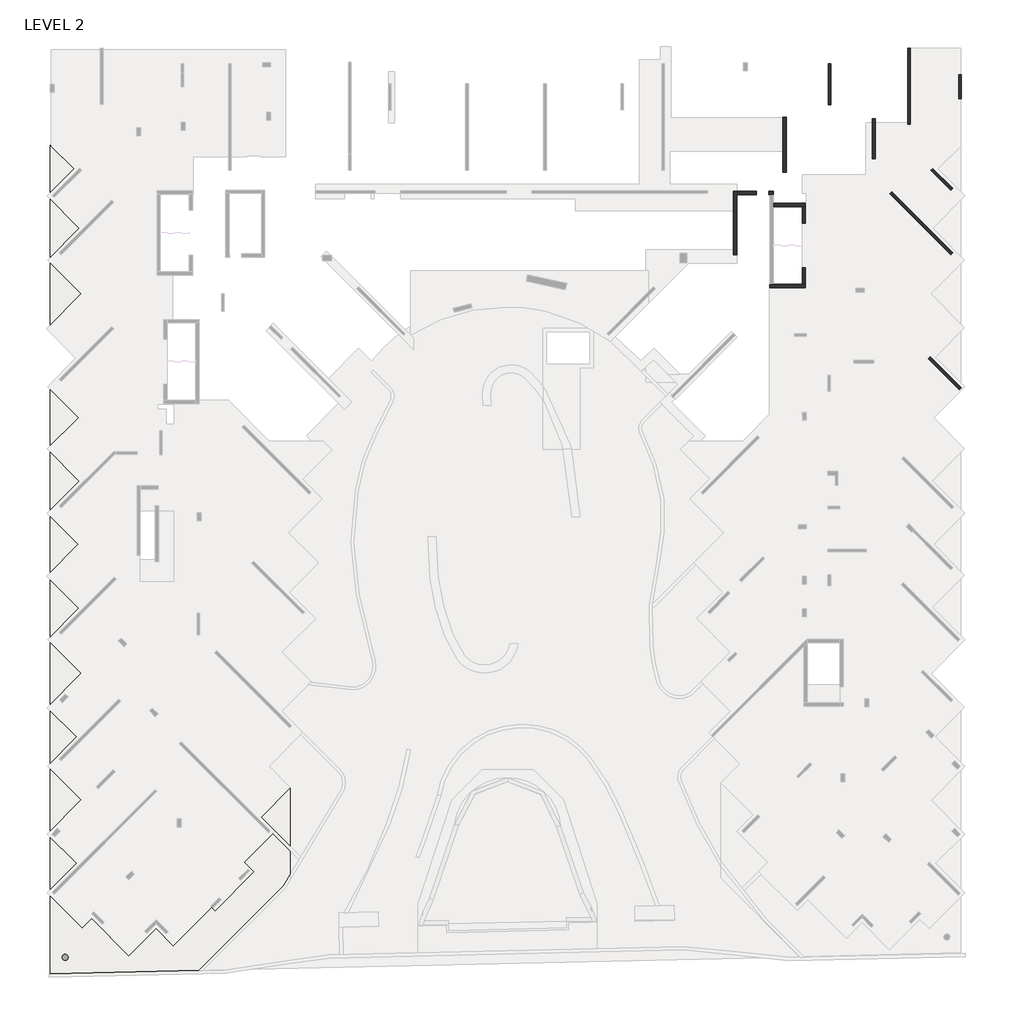
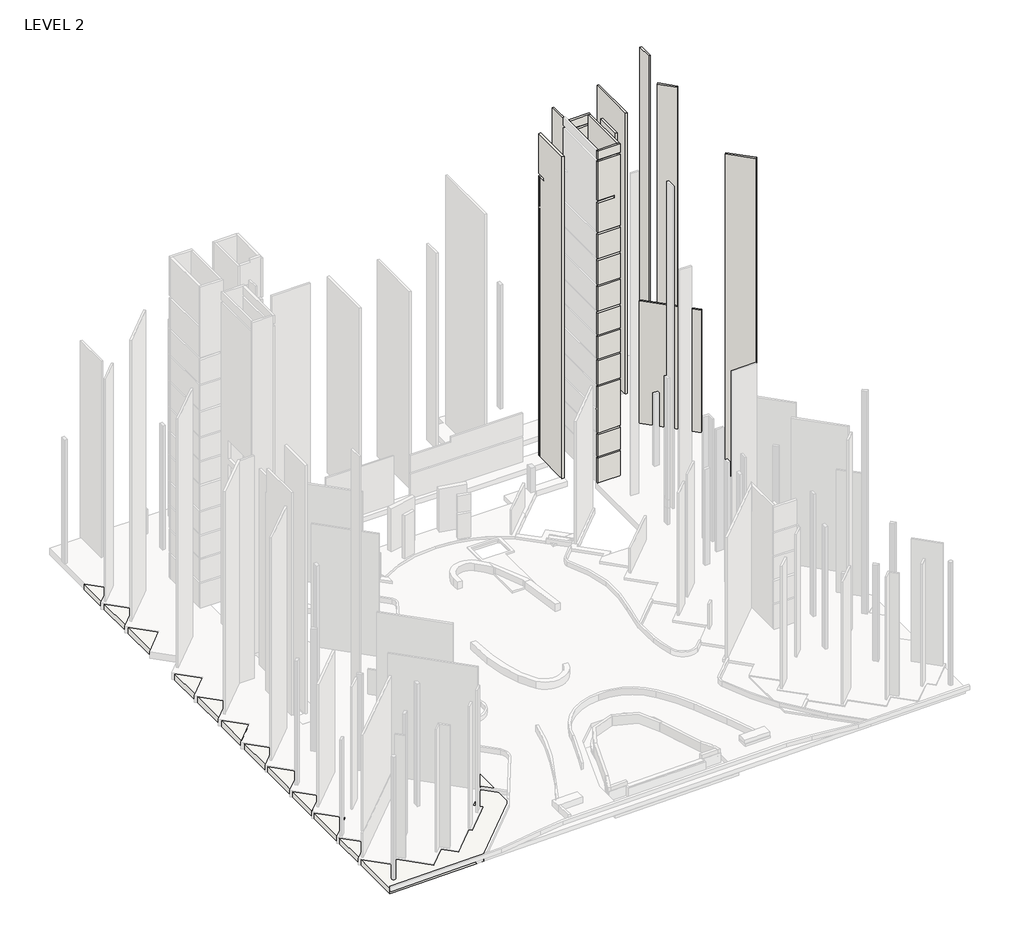
# One storey, part 5 of 9: 13 walls, 1 slab.
"""IFC4 building model written with IfcOpenShell, lengths in millimetres."""

from ifc_helpers import new_model, si_unit, frame, origin, place, context, project, spatial, polyline, outline, extrude, faceted_brep, element, save

model = new_model("IFC4")

# Units and contexts
model_context = context("Model", 3, world=origin())
ifc_project = project(units=[si_unit("LENGTHUNIT", "METRE", prefix="MILLI")], contexts=[model_context])

# Site, building, storey
site = spatial("IfcSite", under=ifc_project)
building = spatial("IfcBuilding", under=site)
storey = spatial("IfcBuildingStorey", under=building, Name="LEVEL 2", Elevation=6400.0)

# Slab
placement = place(None, origin())
element("IfcSlab", 1, ObjectType="700 TRANSFER SLAB", at=placement, inside=storey, context=model_context, shape_type="Brep", body=[
    faceted_brep([(186669.9814918, 151004.0917593, 5600.0), (189554.9830875, 153889.093355, 5600.0), (189810.7995664, 153633.2768761, 5600.0), (192709.9314408, 156532.4087506, 5600.0), (191977.1811517, 157265.1590397, 5600.0), (194296.3098331, 159584.2877211, 5600.0), (193239.6799467, 160640.9176075, 5600.0), (194842.4547218, 162243.6923825, 5600.0), (195442.4547218, 162843.6923825, 5600.0), (195442.4547218, 156032.7755644, 5600.0), (188573.1392131, 149163.4600557, 5600.0), (177433.7148854, 148910.4631687, 5600.0), (177433.7148854, 154743.1747119, 5600.0), (179837.4036958, 152339.4859015, 5600.0), (180544.510477, 153046.5926827, 5600.0), (183341.5621043, 150249.5410554, 5600.0), (185384.5796958, 152289.4935553, 5600.0), (189554.9830875, 153889.093355, 6300.0), (186669.9814918, 151004.0917593, 6300.0), (185384.5796958, 152289.4935553, 6300.0), (183341.5621043, 150249.5410554, 6300.0), (180544.510477, 153046.5926827, 6300.0), (179837.4036958, 152339.4859015, 6300.0), (177433.7148854, 154743.1747119, 6300.0), (177433.7148854, 148910.4631687, 6300.0), (188573.1392131, 149163.4600557, 6300.0), (195442.4547218, 156032.7755644, 6300.0), (195442.4547218, 162843.6923825, 6300.0), (193239.6799467, 160640.9176075, 6300.0), (194296.3098331, 159584.2877211, 6300.0), (191977.1811517, 157265.1590397, 6300.0), (192709.9314408, 156532.4087506, 6300.0), (189810.7995664, 153633.2768761, 6300.0)], [[[0, 1, 2, 3, 4, 5, 6, 7, 8, 9, 10, 11, 12, 13, 14, 15, 16]], [[17, 18, 19, 20, 21, 22, 23, 24, 25, 26, 27, 28, 29, 30, 31, 32]], [[1, 0, 18, 17]], [[2, 1, 17, 32]], [[11, 10, 25, 24]], [[13, 12, 23, 22]], [[14, 13, 22, 21]], [[15, 14, 21, 20]], [[16, 15, 20, 19]], [[0, 16, 19, 18]], [[10, 9, 26, 25]], [[12, 11, 24, 23]], [[3, 2, 32, 31]], [[4, 3, 31, 30]], [[5, 4, 30, 29]], [[6, 5, 29, 28]], [[8, 7, 6, 28, 27]], [[9, 8, 27, 26]]]),
    faceted_brep([(177433.7148854, 164274.9741248, 5600.0), (179782.4414303, 161926.2475799, 5600.0), (177433.7148854, 159577.521035, 5600.0), (179782.4414303, 161926.2475799, 6300.0), (177433.7148854, 164274.9741248, 6300.0), (177433.7148854, 159577.521035, 6300.0)], [[[0, 1, 2]], [[3, 4, 5]], [[1, 0, 4, 3]], [[2, 1, 3, 5]], [[0, 2, 5, 4]]]),
    faceted_brep([(177433.7148854, 159155.521029, 5600.0), (179428.8880409, 157160.3478734, 5600.0), (177433.7148854, 155165.1747179, 5600.0), (179428.8880409, 157160.3478734, 6300.0), (177433.7148854, 159155.521029, 6300.0), (177433.7148854, 155165.1747179, 6300.0)], [[[0, 1, 2]], [[3, 4, 5]], [[1, 0, 4, 3]], [[2, 1, 3, 5]], [[0, 2, 5, 4]]]),
    faceted_brep([(179428.8880401, 166635.5787415, 5600.0), (177433.7148854, 164640.4055868, 5600.0), (177433.7148854, 168630.7518962, 5600.0), (177433.7148854, 164640.4055868, 6300.0), (179428.8880401, 166635.5787415, 6300.0), (177433.7148854, 168630.7518962, 6300.0)], [[[0, 1, 2]], [[3, 4, 5]], [[1, 0, 4, 3]], [[2, 1, 3, 5]], [[0, 2, 5, 4]]]),
    faceted_brep([(179782.4414299, 171401.4784474, 5600.0), (177433.7148854, 169052.7519029, 5600.0), (177433.7148854, 173750.204992, 5600.0), (177433.7148854, 169052.7519029, 6300.0), (179782.4414299, 171401.4784474, 6300.0), (177433.7148854, 173750.204992, 6300.0)], [[[0, 1, 2]], [[3, 4, 5]], [[1, 0, 4, 3]], [[2, 1, 3, 5]], [[0, 2, 5, 4]]]),
    faceted_brep([(179591.0370291, 176272.9585985, 5600.0), (177433.7148854, 174115.6364547, 5600.0), (177433.7148854, 178430.2807422, 5600.0), (177433.7148854, 174115.6364547, 6300.0), (179591.0370291, 176272.9585985, 6300.0), (177433.7148854, 178430.2807422, 6300.0)], [[[0, 1, 2]], [[3, 4, 5]], [[1, 0, 4, 3]], [[2, 1, 3, 5]], [[0, 2, 5, 4]]]),
    faceted_brep([(179552.6317254, 181071.1636788, 5600.0), (177465.7148858, 178984.2468392, 5600.0), (177465.7148858, 183158.0805183, 5600.0), (177465.7148858, 178984.2468392, 6300.0), (179552.6317254, 181071.1636788, 6300.0), (177465.7148858, 183158.0805183, 6300.0)], [[[0, 1, 2]], [[3, 4, 5]], [[1, 0, 4, 3]], [[2, 1, 3, 5]], [[0, 2, 5, 4]]]),
    faceted_brep([(179641.020074, 185798.1725113, 5600.0), (177465.7148858, 183622.8673231, 5600.0), (177465.7148858, 187973.4776994, 5600.0), (177465.7148858, 183622.8673231, 6300.0), (179641.020074, 185798.1725113, 6300.0), (177465.7148858, 187973.4776994, 6300.0)], [[[0, 1, 2]], [[3, 4, 5]], [[1, 0, 4, 3]], [[2, 1, 3, 5]], [[0, 2, 5, 4]]]),
    faceted_brep([(179570.3093953, 190564.0722158, 5600.0), (177465.7148858, 188459.4777064, 5600.0), (177465.7148858, 192668.6667253, 5600.0), (177465.7148858, 188459.4777064, 6300.0), (179570.3093953, 190564.0722158, 6300.0), (177465.7148858, 192668.6667253, 6300.0)], [[[0, 1, 2]], [[3, 4, 5]], [[1, 0, 4, 3]], [[2, 1, 3, 5]], [[0, 2, 5, 4]]]),
    faceted_brep([(179245.2179459, 209189.4425022, 5600.0), (177465.7148858, 207409.9394422, 5600.0), (177465.7148858, 210968.9455622, 5600.0), (177537.7148854, 210896.9455627, 5600.0), (177465.7148858, 207409.9394422, 6300.0), (179245.2179459, 209189.4425022, 6300.0), (177537.7148854, 210896.9455627, 6300.0), (177465.7148858, 210968.9455622, 6300.0)], [[[0, 1, 2, 3]], [[4, 5, 6, 7]], [[1, 0, 5, 4]], [[2, 1, 4, 7]], [[2, 7, 6, 5, 0, 3]]]),
    faceted_brep([(179641.020074, 204748.6342471, 5600.0), (177465.7148858, 202573.3290589, 5600.0), (177465.7148858, 206923.9394352, 5600.0), (177465.7148858, 202573.3290589, 6300.0), (179641.020074, 204748.6342471, 6300.0), (177465.7148858, 206923.9394352, 6300.0)], [[[0, 1, 2]], [[3, 4, 5]], [[1, 0, 4, 3]], [[2, 1, 3, 5]], [[0, 2, 5, 4]]]),
    faceted_brep([(179782.4414296, 199827.1710494, 5600.0), (177467.7148854, 197512.4445051, 5600.0), (177467.7148854, 202141.8975937, 5600.0), (177467.7148854, 197512.4445051, 6300.0), (179782.4414296, 199827.1710494, 6300.0), (177467.7148854, 202141.8975937, 6300.0)], [[[0, 1, 2]], [[3, 4, 5]], [[1, 0, 4, 3]], [[2, 1, 3, 5]], [[0, 2, 5, 4]]]),
])

# Walls
element("IfcWall", 2, ObjectType="200 WALL", at=placement, inside=storey, context=model_context, shape_type="Brep", body=[
    faceted_brep([(235969.079817, 213994.8490053, 6400.0), (235969.079817, 217062.6490083, 6400.0), (235969.079817, 217062.6490083, 40650.0), (235969.079817, 217062.6490083, 41050.0), (235969.079817, 217062.6490083, 41150.0), (235969.079817, 213994.8490053, 41150.0), (235769.079817, 213994.8490053, 6400.0), (235769.079817, 213994.8490053, 41150.0), (235769.079817, 216842.6487402, 41150.0), (235769.079817, 217062.6490083, 41150.0), (235769.079817, 217062.6490083, 40450.0), (235769.079817, 217062.6490083, 6400.0), (235862.1509792, 217062.6490083, 41150.0)], [[[0, 1, 2, 3, 4, 5]], [[6, 7, 8, 9, 10, 11]], [[1, 0, 6, 11]], [[4, 3, 2, 1, 11, 10, 9, 12]], [[5, 4, 12, 9, 8, 7]], [[0, 5, 7, 6]]]),
])
element("IfcWall", 3, ObjectType="200 WALL", at=placement, inside=storey, context=model_context, shape_type="Brep", body=[
    faceted_brep([(241911.9970322, 212520.6489961, 6400.0), (241911.9970322, 218242.6490083, 6400.0), (241911.9970322, 218242.6490083, 40450.0), (241911.9970322, 218242.6490083, 41050.0), (241911.9970322, 218242.6490083, 41150.0), (241911.9970322, 212520.6489961, 41150.0), (241711.9970322, 212520.6489961, 6400.0), (241711.9970322, 212520.6489961, 41150.0), (241711.9970322, 218242.6490083, 41150.0), (241711.9970322, 218242.6490083, 41050.0), (241711.9970322, 218242.6490083, 40450.0), (241711.9970322, 218242.6490083, 6400.0)], [[[0, 1, 2, 3, 4, 5]], [[6, 7, 8, 9, 10, 11]], [[1, 0, 6, 11]], [[4, 3, 2, 1, 11, 10, 9, 8]], [[5, 4, 8, 7]], [[0, 5, 7, 6]]]),
])
element("IfcWall", 4, ObjectType="200 WALL", at=placement, inside=storey, context=model_context, shape_type="SweptSolid", body=[
    extrude(outline(polyline([(244946.7978556, 202763.7913359), (240368.1015694, 207342.4876221), (240509.5229256, 207483.9089783), (245088.2192118, 202905.2126922), (244946.7978556, 202763.7913359)])), frame((0.0, 0.0, 6400.0), z_axis=(0.0, 0.0, 1.0), x_axis=(1.0, 0.0, 0.0)), (0.0, 0.0, 1.0), 15150.0),
])
element("IfcWall", 5, ObjectType="200 WALL", at=placement, inside=storey, context=model_context, shape_type="SweptSolid", body=[
    extrude(outline(polyline([(239083.4739801, 209970.1489961), (239083.4739801, 212930.1489961), (239283.4739801, 212930.1489961), (239283.4739801, 209970.1489961), (239083.4739801, 209970.1489961)])), frame((0.0, 0.0, 5740.0), z_axis=(0.0, 0.0, 1.0), x_axis=(1.0, 0.0, 0.0)), (0.0, 0.0, 1.0), 35410.0),
])
element("IfcWall", 6, ObjectType="200 WALL", at=placement, inside=storey, context=model_context, shape_type="Brep", body=[
    faceted_brep([(245747.1628329, 214442.5755253, 6400.0), (245747.1628329, 216232.6490083, 6400.0), (245747.1628329, 216232.6490083, 40450.0), (245747.1628329, 216232.6490083, 41350.0), (245747.1628329, 216232.6490083, 45750.0), (245747.1628329, 214442.5755253, 45750.0), (245747.1628329, 214442.5755253, 41350.0), (245747.1628329, 214442.5755253, 40450.0), (245547.1628329, 214442.5755253, 6400.0), (245547.1628329, 214442.5755253, 40450.0), (245547.1628329, 214442.5755253, 41350.0), (245547.1628329, 214442.5755253, 45750.0), (245547.1628329, 216232.6490083, 45750.0), (245547.1628329, 216232.6490083, 41350.0), (245547.1628329, 216232.6490083, 40450.0), (245547.1628329, 216232.6490083, 6400.0)], [[[0, 1, 2, 3, 4, 5, 6, 7]], [[8, 9, 10, 11, 12, 13, 14, 15]], [[1, 0, 8, 15]], [[4, 3, 2, 1, 15, 14, 13, 12]], [[5, 4, 12, 11]], [[0, 7, 6, 5, 11, 10, 9, 8]]]),
])
element("IfcWall", 7, ObjectType="200 WALL", at=placement, inside=storey, context=model_context, shape_type="Brep", body=[
    faceted_brep([(243449.6809541, 209076.3054173, 6400.0), (244936.2213546, 207589.7650168, 6400.0), (244936.2213546, 207589.7650168, 40450.0), (244936.2213546, 207589.7650168, 41350.0), (244936.2213546, 207589.7650168, 46250.0), (243449.6809541, 209076.3054173, 46250.0), (243449.6809541, 209076.3054173, 41350.0), (243449.6809541, 209076.3054173, 40450.0), (243591.1023104, 209217.7267735, 6400.0), (243591.1023104, 209217.7267735, 40450.0), (243591.1023104, 209217.7267735, 41350.0), (243591.1023104, 209217.7267735, 46250.0), (245077.6427108, 207731.1863731, 46250.0), (245077.6427108, 207731.1863731, 41350.0), (245077.6427108, 207731.1863731, 40450.0), (245077.6427108, 207731.1863731, 6400.0)], [[[0, 1, 2, 3, 4, 5, 6, 7]], [[8, 9, 10, 11, 12, 13, 14, 15]], [[1, 0, 8, 15]], [[4, 3, 2, 1, 15, 14, 13, 12]], [[5, 4, 12, 11]], [[0, 7, 6, 5, 11, 10, 9, 8]]]),
])
element("IfcWall", 8, ObjectType="200 WALL", at=placement, inside=storey, context=model_context, shape_type="SweptSolid", body=[
    extrude(outline(polyline([(245588.6034254, 192646.8160339), (243267.8397631, 194967.5796963), (243409.2611193, 195109.0010525), (245730.0247817, 192788.2373902), (245588.6034254, 192646.8160339)])), frame((0.0, 0.0, 6400.0), z_axis=(0.0, 0.0, 1.0), x_axis=(1.0, 0.0, 0.0)), (0.0, 0.0, 1.0), 39850.0),
])
element("IfcWall", 9, ObjectType="250 WALL", at=placement, inside=storey, context=model_context, shape_type="Brep", body=[
    faceted_brep([(231652.4721706, 207518.1983032, 6400.0), (231301.5721706, 207518.1983032, 6400.0), (231301.5721706, 207518.1983032, 8534.0), (230386.5721706, 207518.1983032, 8534.0), (230386.5721706, 207518.1983032, 6400.0), (228661.5721706, 207518.1983032, 6400.0), (228661.5721706, 207518.1983032, 37150.0), (231652.4721706, 207518.1983032, 37150.0), (231301.5721706, 207518.1983032, 9650.0), (231301.5721706, 207518.1983032, 11784.0), (230386.5721706, 207518.1983032, 11784.0), (230386.5721706, 207518.1983032, 9650.0), (231301.5721706, 207518.1983032, 12600.0), (231301.5721706, 207518.1983032, 14734.0), (230386.5721706, 207518.1983032, 14734.0), (230386.5721706, 207518.1983032, 12600.0), (231301.5721706, 207518.1983032, 18500.0), (231301.5721706, 207518.1983032, 20634.0), (230386.5721706, 207518.1983032, 20634.0), (230386.5721706, 207518.1983032, 18500.0), (231301.5721706, 207518.1983032, 21750.0), (231301.5721706, 207518.1983032, 23884.0), (230386.5721706, 207518.1983032, 23884.0), (230386.5721706, 207518.1983032, 21750.0), (231301.5721706, 207518.1983032, 24700.0), (231301.5721706, 207518.1983032, 26834.0), (230386.5721706, 207518.1983032, 26834.0), (230386.5721706, 207518.1983032, 24700.0), (231301.5721706, 207518.1983032, 30900.0), (231301.5721706, 207518.1983032, 33034.0), (230386.5721706, 207518.1983032, 33034.0), (230386.5721706, 207518.1983032, 30900.0), (231301.5721706, 207518.1983032, 27650.0), (231301.5721706, 207518.1983032, 29784.0), (230386.5721706, 207518.1983032, 29784.0), (230386.5721706, 207518.1983032, 27650.0), (231301.5721706, 207518.1983032, 15550.0), (231301.5721706, 207518.1983032, 17684.0), (230386.5721706, 207518.1983032, 17684.0), (230386.5721706, 207518.1983032, 15550.0), (231301.5721706, 207518.1983032, 34150.0), (231301.5721706, 207518.1983032, 36284.0), (230386.5721706, 207518.1983032, 36284.0), (230386.5721706, 207518.1983032, 34150.0), (231301.5721706, 207518.1983032, 37400.0), (231301.5721706, 207518.1983032, 39534.0), (230386.5721706, 207518.1983032, 39534.0), (230386.5721706, 207518.1983032, 37400.0), (228661.5721706, 207518.1983032, 37400.0), (228661.5721706, 207518.1983032, 41050.0), (231652.4721706, 207518.1983032, 41050.0), (231652.4721706, 207518.1983032, 37400.0), (231301.5721706, 207268.1983032, 6400.0), (231402.4721706, 207268.1983032, 6400.0), (231652.4721706, 207268.1983032, 6400.0), (231652.4721706, 207268.1983032, 41050.0), (231402.4721706, 207268.1983032, 41050.0), (228661.5721706, 207268.1983032, 41050.0), (228661.5721706, 207268.1983032, 37400.0), (230386.5721706, 207268.1983032, 37400.0), (230386.5721706, 207268.1983032, 39534.0), (231301.5721706, 207268.1983032, 39534.0), (231301.5721706, 207268.1983032, 37400.0), (231402.4721706, 207268.1983032, 37400.0), (231601.5721706, 207268.1983032, 37400.0), (231601.5721706, 207268.1983032, 37150.0), (231402.4721706, 207268.1983032, 37150.0), (228661.5721706, 207268.1983032, 37150.0), (228661.5721706, 207268.1983032, 6400.0), (230386.5721706, 207268.1983032, 6400.0), (230386.5721706, 207268.1983032, 8534.0), (231301.5721706, 207268.1983032, 8534.0), (231301.5721706, 207268.1983032, 11784.0), (231301.5721706, 207268.1983032, 9650.0), (230386.5721706, 207268.1983032, 9650.0), (230386.5721706, 207268.1983032, 11784.0), (231301.5721706, 207268.1983032, 14734.0), (231301.5721706, 207268.1983032, 12600.0), (230386.5721706, 207268.1983032, 12600.0), (230386.5721706, 207268.1983032, 14734.0), (231301.5721706, 207268.1983032, 20634.0), (231301.5721706, 207268.1983032, 18500.0), (230386.5721706, 207268.1983032, 18500.0), (230386.5721706, 207268.1983032, 20634.0), (231301.5721706, 207268.1983032, 23884.0), (231301.5721706, 207268.1983032, 21750.0), (230386.5721706, 207268.1983032, 21750.0), (230386.5721706, 207268.1983032, 23884.0), (231301.5721706, 207268.1983032, 26834.0), (231301.5721706, 207268.1983032, 24700.0), (230386.5721706, 207268.1983032, 24700.0), (230386.5721706, 207268.1983032, 26834.0), (231301.5721706, 207268.1983032, 33034.0), (231301.5721706, 207268.1983032, 30900.0), (230386.5721706, 207268.1983032, 30900.0), (230386.5721706, 207268.1983032, 33034.0), (231301.5721706, 207268.1983032, 29784.0), (231301.5721706, 207268.1983032, 27650.0), (230386.5721706, 207268.1983032, 27650.0), (230386.5721706, 207268.1983032, 29784.0), (231301.5721706, 207268.1983032, 17684.0), (231301.5721706, 207268.1983032, 15550.0), (230386.5721706, 207268.1983032, 15550.0), (230386.5721706, 207268.1983032, 17684.0), (231301.5721706, 207268.1983032, 36284.0), (231301.5721706, 207268.1983032, 34150.0), (230386.5721706, 207268.1983032, 34150.0), (230386.5721706, 207268.1983032, 36284.0), (231652.4721706, 207363.1983032, 37150.0), (231652.4721706, 207363.1983032, 37400.0), (231601.5721706, 207363.1983032, 37150.0), (231601.5721706, 207363.1983032, 37400.0)], [[[0, 1, 2, 3, 4, 5, 6, 7], [8, 9, 10, 11], [12, 13, 14, 15], [16, 17, 18, 19], [20, 21, 22, 23], [24, 25, 26, 27], [28, 29, 30, 31], [32, 33, 34, 35], [36, 37, 38, 39], [40, 41, 42, 43]], [[44, 45, 46, 47, 48, 49, 50, 51]], [[52, 53, 54, 55, 56, 57, 58, 59, 60, 61, 62, 63, 64, 65, 66, 67, 68, 69, 70, 71], [72, 73, 74, 75], [76, 77, 78, 79], [80, 81, 82, 83], [84, 85, 86, 87], [88, 89, 90, 91], [92, 93, 94, 95], [96, 97, 98, 99], [100, 101, 102, 103], [104, 105, 106, 107]], [[68, 5, 4, 69]], [[1, 0, 54, 53, 52]], [[5, 68, 67, 6]], [[57, 49, 48, 58]], [[71, 2, 1, 52]], [[3, 70, 69, 4]], [[2, 71, 70, 3]], [[73, 72, 9, 8]], [[74, 73, 8, 11]], [[75, 74, 11, 10]], [[72, 75, 10, 9]], [[77, 76, 13, 12]], [[78, 77, 12, 15]], [[79, 78, 15, 14]], [[76, 79, 14, 13]], [[81, 80, 17, 16]], [[82, 81, 16, 19]], [[83, 82, 19, 18]], [[80, 83, 18, 17]], [[85, 84, 21, 20]], [[86, 85, 20, 23]], [[87, 86, 23, 22]], [[84, 87, 22, 21]], [[89, 88, 25, 24]], [[90, 89, 24, 27]], [[91, 90, 27, 26]], [[88, 91, 26, 25]], [[93, 92, 29, 28]], [[94, 93, 28, 31]], [[95, 94, 31, 30]], [[92, 95, 30, 29]], [[97, 96, 33, 32]], [[98, 97, 32, 35]], [[99, 98, 35, 34]], [[96, 99, 34, 33]], [[101, 100, 37, 36]], [[102, 101, 36, 39]], [[103, 102, 39, 38]], [[100, 103, 38, 37]], [[105, 104, 41, 40]], [[106, 105, 40, 43]], [[107, 106, 43, 42]], [[104, 107, 42, 41]], [[62, 61, 45, 44]], [[60, 59, 47, 46]], [[61, 60, 46, 45]], [[54, 0, 7, 108, 109, 51, 50, 55]], [[50, 49, 57, 56, 55]], [[65, 110, 108, 7, 6, 67, 66]], [[48, 47, 59, 58]], [[111, 64, 63, 62, 44, 51, 109]], [[110, 111, 109, 108]], [[111, 110, 65, 64]]]),
])
element("IfcWall", 10, ObjectType="250 WALL", at=placement, inside=storey, context=model_context, shape_type="SweptSolid", body=[
    extrude(outline(polyline([(232375.5971201, 208938.1983002), (232375.5971201, 213055.4318341), (232625.5971201, 213055.4318341), (232625.5971201, 208938.1983002), (232375.5971201, 208938.1983002)])), frame((0.0, 0.0, 6400.0), z_axis=(0.0, 0.0, 1.0), x_axis=(1.0, 0.0, 0.0)), (0.0, 0.0, 1.0), 8950.0),
])
element("IfcWall", 11, ObjectType="250 WALL", at=placement, inside=storey, context=model_context, shape_type="Brep", body=[
    faceted_brep([(228911.5721706, 202773.216984, 6400.0), (228911.5721706, 207518.1983032, 6400.0), (228911.5721706, 207518.1983032, 41050.0), (228911.5721706, 206933.1983032, 41050.0), (228911.5721706, 206423.2508905, 41050.0), (228911.5721706, 206423.2508905, 41350.0), (228911.5721706, 206933.1983032, 41350.0), (228911.5721706, 207518.1983032, 41350.0), (228911.5721706, 207518.1983032, 46250.0), (228911.5721706, 202773.216984, 46250.0), (228661.5721706, 207518.1983032, 6400.0), (228661.5721706, 202773.216984, 6400.0), (228661.5721706, 202773.216984, 37150.0), (228661.5721706, 202773.216984, 37400.0), (228661.5721706, 202773.216984, 41050.0), (228661.5721706, 202773.216984, 41350.0), (228661.5721706, 202773.216984, 46150.0), (228661.5721706, 202773.216984, 46250.0), (228661.5721706, 207518.1983032, 46250.0), (228661.5721706, 207518.1983032, 41350.0), (228661.5721706, 206423.2508905, 41350.0), (228661.5721706, 206423.2508905, 41050.0), (228661.5721706, 207518.1983032, 41050.0)], [[[0, 1, 2, 3, 4, 5, 6, 7, 8, 9]], [[10, 11, 12, 13, 14, 15, 16, 17, 18, 19, 20, 21, 22]], [[1, 0, 11, 10]], [[1, 10, 22, 2]], [[18, 8, 7, 19]], [[9, 8, 18, 17]], [[21, 4, 3, 2, 22]], [[5, 20, 19, 7, 6]], [[4, 21, 20, 5]], [[0, 9, 17, 16, 15, 14, 13, 12, 11]]]),
])
element("IfcWall", 12, ObjectType="250 WALL", at=placement, inside=storey, context=model_context, shape_type="Brep", body=[
    faceted_brep([(234062.4721706, 206363.2322067, 47450.0), (234062.4721706, 200548.1983002, 47450.0), (234062.4721706, 200548.1983002, 46450.0), (234062.4721706, 200548.1983002, 46150.0), (234062.4721706, 200548.1983002, 37400.0), (234062.4721706, 200548.1983002, 37150.0), (234062.4721706, 200548.1983002, 34150.0), (234062.4721706, 200548.1983002, 33950.0), (234062.4721706, 200548.1983002, 30900.0), (234062.4721706, 200548.1983002, 30700.0), (234062.4721706, 200548.1983002, 27650.0), (234062.4721706, 200548.1983002, 27450.0), (234062.4721706, 200548.1983002, 24700.0), (234062.4721706, 200548.1983002, 24500.0), (234062.4721706, 200548.1983002, 21750.0), (234062.4721706, 200548.1983002, 21550.0), (234062.4721706, 200548.1983002, 18500.0), (234062.4721706, 200548.1983002, 18300.0), (234062.4721706, 200548.1983002, 12600.0), (234062.4721706, 200548.1983002, 12400.0), (234062.4721706, 200548.1983002, 9650.0), (234062.4721706, 201773.2322067, 9650.0), (234062.4721706, 201773.2322067, 11885.0), (234062.4721706, 205138.2322067, 11885.0), (234062.4721706, 205138.2322067, 9650.0), (234062.4721706, 206363.2322067, 9650.0), (234062.4721706, 206363.2322067, 12400.0), (234062.4721706, 206363.2322067, 12600.0), (234062.4721706, 206363.2322067, 15350.0), (234062.4721706, 206363.2322067, 15550.0), (234062.4721706, 206363.2322067, 18300.0), (234062.4721706, 206363.2322067, 18500.0), (234062.4721706, 206363.2322067, 21550.0), (234062.4721706, 206363.2322067, 21750.0), (234062.4721706, 206363.2322067, 24500.0), (234062.4721706, 206363.2322067, 24700.0), (234062.4721706, 206363.2322067, 27450.0), (234062.4721706, 206363.2322067, 27650.0), (234062.4721706, 206363.2322067, 30700.0), (234062.4721706, 206363.2322067, 30900.0), (234062.4721706, 206363.2322067, 33950.0), (234062.4721706, 206363.2322067, 34150.0), (234062.4721706, 206363.2322067, 37150.0), (234062.4721706, 206363.2322067, 37400.0), (234062.4721706, 206363.2322067, 41050.0), (234062.4721706, 206363.2322067, 41350.0), (234062.4721706, 206363.2322067, 46150.0), (234062.4721706, 206363.2322067, 46450.0), (234062.4721706, 205138.2322067, 14835.0), (234062.4721706, 205138.2322067, 12600.0), (234062.4721706, 201773.2322067, 12600.0), (234062.4721706, 201773.2322067, 14835.0), (234062.4721706, 205138.2322067, 17785.0), (234062.4721706, 205138.2322067, 15550.0), (234062.4721706, 201773.2322067, 15550.0), (234062.4721706, 201773.2322067, 17785.0), (234062.4721706, 205138.2322067, 20735.0), (234062.4721706, 205138.2322067, 18500.0), (234062.4721706, 201773.2322067, 18500.0), (234062.4721706, 201773.2322067, 20735.0), (234062.4721706, 205138.2322067, 23985.0), (234062.4721706, 205138.2322067, 21750.0), (234062.4721706, 201773.2322067, 21750.0), (234062.4721706, 201773.2322067, 23985.0), (234062.4721706, 205138.2322067, 26935.0), (234062.4721706, 205138.2322067, 24700.0), (234062.4721706, 201773.2322067, 24700.0), (234062.4721706, 201773.2322067, 26935.0), (234062.4721706, 205138.2322067, 29885.0), (234062.4721706, 205138.2322067, 27650.0), (234062.4721706, 201773.2322067, 27650.0), (234062.4721706, 201773.2322067, 29885.0), (234062.4721706, 205138.2322067, 33135.0), (234062.4721706, 205138.2322067, 30900.0), (234062.4721706, 201773.2322067, 30900.0), (234062.4721706, 201773.2322067, 33135.0), (234062.4721706, 205138.2322067, 36385.0), (234062.4721706, 205138.2322067, 34150.0), (234062.4721706, 201773.2322067, 34150.0), (234062.4721706, 201773.2322067, 36385.0), (234062.4721706, 205138.2322067, 39635.0), (234062.4721706, 205138.2322067, 37400.0), (234062.4721706, 201773.2322067, 37400.0), (234062.4721706, 201773.2322067, 39635.0), (233812.4721706, 200548.1983002, 47450.0), (233812.4721706, 206363.2322067, 47450.0), (233812.4721706, 206363.2322067, 9650.0), (233812.4721706, 205138.2322067, 9650.0), (233812.4721706, 205138.2322067, 11885.0), (233812.4721706, 201773.2322067, 11885.0), (233812.4721706, 201773.2322067, 9650.0), (233812.4721706, 200548.1983002, 9650.0), (233812.4721706, 205138.2322067, 12600.0), (233812.4721706, 205138.2322067, 14835.0), (233812.4721706, 201773.2322067, 14835.0), (233812.4721706, 201773.2322067, 12600.0), (233812.4721706, 205138.2322067, 15550.0), (233812.4721706, 205138.2322067, 17785.0), (233812.4721706, 201773.2322067, 17785.0), (233812.4721706, 201773.2322067, 15550.0), (233812.4721706, 205138.2322067, 18500.0), (233812.4721706, 205138.2322067, 20735.0), (233812.4721706, 201773.2322067, 20735.0), (233812.4721706, 201773.2322067, 18500.0), (233812.4721706, 205138.2322067, 21750.0), (233812.4721706, 205138.2322067, 23985.0), (233812.4721706, 201773.2322067, 23985.0), (233812.4721706, 201773.2322067, 21750.0), (233812.4721706, 205138.2322067, 24700.0), (233812.4721706, 205138.2322067, 26935.0), (233812.4721706, 201773.2322067, 26935.0), (233812.4721706, 201773.2322067, 24700.0), (233812.4721706, 205138.2322067, 27650.0), (233812.4721706, 205138.2322067, 29885.0), (233812.4721706, 201773.2322067, 29885.0), (233812.4721706, 201773.2322067, 27650.0), (233812.4721706, 205138.2322067, 30900.0), (233812.4721706, 205138.2322067, 33135.0), (233812.4721706, 201773.2322067, 33135.0), (233812.4721706, 201773.2322067, 30900.0), (233812.4721706, 205138.2322067, 34150.0), (233812.4721706, 205138.2322067, 36385.0), (233812.4721706, 201773.2322067, 36385.0), (233812.4721706, 201773.2322067, 34150.0), (233812.4721706, 205138.2322067, 37400.0), (233812.4721706, 205138.2322067, 39635.0), (233812.4721706, 201773.2322067, 39635.0), (233812.4721706, 201773.2322067, 37400.0)], [[[0, 1, 2, 3, 4, 5, 6, 7, 8, 9, 10, 11, 12, 13, 14, 15, 16, 17, 18, 19, 20, 21, 22, 23, 24, 25, 26, 27, 28, 29, 30, 31, 32, 33, 34, 35, 36, 37, 38, 39, 40, 41, 42, 43, 44, 45, 46, 47], [48, 49, 50, 51], [52, 53, 54, 55], [56, 57, 58, 59], [60, 61, 62, 63], [64, 65, 66, 67], [68, 69, 70, 71], [72, 73, 74, 75], [76, 77, 78, 79], [80, 81, 82, 83]], [[84, 85, 86, 87, 88, 89, 90, 91], [92, 93, 94, 95], [96, 97, 98, 99], [100, 101, 102, 103], [104, 105, 106, 107], [108, 109, 110, 111], [112, 113, 114, 115], [116, 117, 118, 119], [120, 121, 122, 123], [124, 125, 126, 127]], [[1, 0, 85, 84]], [[23, 88, 87, 24]], [[88, 23, 22, 89]], [[89, 22, 21, 90]], [[92, 49, 48, 93]], [[93, 48, 51, 94]], [[94, 51, 50, 95]], [[49, 92, 95, 50]], [[96, 53, 52, 97]], [[97, 52, 55, 98]], [[98, 55, 54, 99]], [[53, 96, 99, 54]], [[100, 57, 56, 101]], [[101, 56, 59, 102]], [[102, 59, 58, 103]], [[57, 100, 103, 58]], [[104, 61, 60, 105]], [[105, 60, 63, 106]], [[106, 63, 62, 107]], [[61, 104, 107, 62]], [[108, 65, 64, 109]], [[109, 64, 67, 110]], [[110, 67, 66, 111]], [[65, 108, 111, 66]], [[112, 69, 68, 113]], [[113, 68, 71, 114]], [[114, 71, 70, 115]], [[69, 112, 115, 70]], [[116, 73, 72, 117]], [[117, 72, 75, 118]], [[118, 75, 74, 119]], [[73, 116, 119, 74]], [[120, 77, 76, 121]], [[121, 76, 79, 122]], [[122, 79, 78, 123]], [[77, 120, 123, 78]], [[124, 81, 80, 125]], [[125, 80, 83, 126]], [[126, 83, 82, 127]], [[81, 124, 127, 82]], [[85, 0, 47, 46, 45, 44, 43, 42, 41, 40, 39, 38, 37, 36, 35, 34, 33, 32, 31, 30, 29, 28, 27, 26, 25, 86]], [[21, 20, 91, 90]], [[25, 24, 87, 86]], [[1, 84, 91, 20, 19, 18, 17, 16, 15, 14, 13, 12, 11, 10, 9, 8, 7, 6, 5, 4, 3, 2]]]),
    faceted_brep([(234062.4721706, 205138.2322067, 8635.0), (234062.4721706, 205138.2322067, 6400.0), (234062.4721706, 206363.2322067, 6400.0), (234062.4721706, 206363.2322067, 9450.0), (234062.4721706, 200548.1983002, 9450.0), (234062.4721706, 200548.1983002, 6400.0), (234062.4721706, 201773.2322067, 6400.0), (234062.4721706, 201773.2322067, 8635.0), (233812.4721706, 205138.2322067, 6400.0), (233812.4721706, 205138.2322067, 8635.0), (233812.4721706, 201773.2322067, 8635.0), (233812.4721706, 201773.2322067, 6400.0), (233812.4721706, 200548.1983002, 6400.0), (233812.4721706, 200548.1983002, 9450.0), (233812.4721706, 206363.2322067, 9450.0), (233812.4721706, 206363.2322067, 6400.0)], [[[0, 1, 2, 3, 4, 5, 6, 7]], [[8, 9, 10, 11, 12, 13, 14, 15]], [[2, 1, 8, 15]], [[6, 5, 12, 11]], [[0, 9, 8, 1]], [[9, 0, 7, 10]], [[10, 7, 6, 11]], [[2, 15, 14, 3]], [[4, 3, 14, 13]], [[12, 5, 4, 13]]]),
])
element("IfcWall", 13, ObjectType="250 WALL", at=placement, inside=storey, context=model_context, shape_type="Brep", body=[
    faceted_brep([(231652.4721706, 206363.2322067, 6400.0), (233812.4721706, 206363.2322067, 6400.0), (234062.4721706, 206363.2322067, 6400.0), (234062.4721706, 206363.2322067, 9450.0), (233812.4721706, 206363.2322067, 9450.0), (231652.4721706, 206363.2322067, 9450.0), (234062.4721706, 206613.2322067, 6400.0), (231652.4721706, 206613.2322067, 6400.0), (231652.4721706, 206613.2322067, 9450.0), (234062.4721706, 206613.2322067, 9450.0)], [[[0, 1, 2, 3, 4, 5]], [[6, 7, 8, 9]], [[2, 1, 0, 7, 6]], [[2, 6, 9, 3]], [[4, 3, 9, 8, 5]], [[7, 0, 5, 8]]]),
    faceted_brep([(234062.4721706, 206363.2322067, 47450.0), (233812.4721706, 206363.2322067, 47450.0), (231652.4721706, 206363.2322067, 47450.0), (231652.4721706, 206363.2322067, 46450.0), (233812.4721706, 206363.2322067, 46450.0), (234062.4721706, 206363.2322067, 46450.0), (231652.4721706, 206613.2322067, 47450.0), (234062.4721706, 206613.2322067, 47450.0), (234062.4721706, 206613.2322067, 46450.0), (231652.4721706, 206613.2322067, 46450.0)], [[[0, 1, 2, 3, 4, 5]], [[6, 7, 8, 9]], [[2, 1, 0, 7, 6]], [[7, 0, 5, 8]], [[4, 3, 9, 8, 5]], [[2, 6, 9, 3]]]),
    faceted_brep([(233812.4721706, 206363.2322067, 9650.0), (234062.4721706, 206363.2322067, 9650.0), (234062.4721706, 206363.2322067, 12400.0), (233812.4721706, 206363.2322067, 12400.0), (231652.4721706, 206363.2322067, 12400.0), (231652.4721706, 206363.2322067, 9650.0), (234062.4721706, 206613.2322067, 9650.0), (231652.4721706, 206613.2322067, 9650.0), (231652.4721706, 206613.2322067, 12400.0), (234062.4721706, 206613.2322067, 12400.0)], [[[0, 1, 2, 3, 4, 5]], [[6, 7, 8, 9]], [[1, 6, 9, 2]], [[1, 0, 5, 7, 6]], [[4, 3, 2, 9, 8]], [[7, 5, 4, 8]]]),
    faceted_brep([(231652.4721706, 206363.2322067, 12600.0), (233812.4721706, 206363.2322067, 12600.0), (234062.4721706, 206363.2322067, 12600.0), (234062.4721706, 206363.2322067, 15350.0), (233812.4721706, 206363.2322067, 15350.0), (231652.4721706, 206363.2322067, 15350.0), (234062.4721706, 206613.2322067, 12600.0), (231652.4721706, 206613.2322067, 12600.0), (231652.4721706, 206613.2322067, 15350.0), (234062.4721706, 206613.2322067, 15350.0)], [[[0, 1, 2, 3, 4, 5]], [[6, 7, 8, 9]], [[2, 6, 9, 3]], [[1, 0, 7, 6, 2]], [[5, 4, 3, 9, 8]], [[7, 0, 5, 8]]]),
    faceted_brep([(231652.4721706, 206363.2322067, 15550.0), (233812.4721706, 206363.2322067, 15550.0), (234062.4721706, 206363.2322067, 15550.0), (234062.4721706, 206363.2322067, 18300.0), (233812.4721706, 206363.2322067, 18300.0), (231652.4721706, 206363.2322067, 18300.0), (234062.4721706, 206613.2322067, 15550.0), (231652.4721706, 206613.2322067, 15550.0), (231652.4721706, 206613.2322067, 18300.0), (234062.4721706, 206613.2322067, 18300.0)], [[[0, 1, 2, 3, 4, 5]], [[6, 7, 8, 9]], [[2, 6, 9, 3]], [[1, 0, 7, 6, 2]], [[5, 4, 3, 9, 8]], [[7, 0, 5, 8]]]),
    faceted_brep([(231652.4721706, 206363.2322067, 18500.0), (233812.4721706, 206363.2322067, 18500.0), (234062.4721706, 206363.2322067, 18500.0), (234062.4721706, 206363.2322067, 21550.0), (233812.4721706, 206363.2322067, 21550.0), (231652.4721706, 206363.2322067, 21550.0), (234062.4721706, 206613.2322067, 18500.0), (231652.4721706, 206613.2322067, 18500.0), (231652.4721706, 206613.2322067, 21550.0), (234062.4721706, 206613.2322067, 21550.0)], [[[0, 1, 2, 3, 4, 5]], [[6, 7, 8, 9]], [[2, 6, 9, 3]], [[1, 0, 7, 6, 2]], [[5, 4, 3, 9, 8]], [[7, 0, 5, 8]]]),
    faceted_brep([(231652.4721706, 206363.2322067, 21750.0), (233812.4721706, 206363.2322067, 21750.0), (234062.4721706, 206363.2322067, 21750.0), (234062.4721706, 206363.2322067, 24500.0), (233812.4721706, 206363.2322067, 24500.0), (231652.4721706, 206363.2322067, 24500.0), (234062.4721706, 206613.2322067, 21750.0), (231652.4721706, 206613.2322067, 21750.0), (231652.4721706, 206613.2322067, 24500.0), (234062.4721706, 206613.2322067, 24500.0)], [[[0, 1, 2, 3, 4, 5]], [[6, 7, 8, 9]], [[2, 6, 9, 3]], [[1, 0, 7, 6, 2]], [[5, 4, 3, 9, 8]], [[7, 0, 5, 8]]]),
    faceted_brep([(231652.4721706, 206363.2322067, 24700.0), (233812.4721706, 206363.2322067, 24700.0), (234062.4721706, 206363.2322067, 24700.0), (234062.4721706, 206363.2322067, 27450.0), (233812.4721706, 206363.2322067, 27450.0), (231652.4721706, 206363.2322067, 27450.0), (234062.4721706, 206613.2322067, 24700.0), (231652.4721706, 206613.2322067, 24700.0), (231652.4721706, 206613.2322067, 27450.0), (234062.4721706, 206613.2322067, 27450.0)], [[[0, 1, 2, 3, 4, 5]], [[6, 7, 8, 9]], [[2, 6, 9, 3]], [[1, 0, 7, 6, 2]], [[5, 4, 3, 9, 8]], [[7, 0, 5, 8]]]),
    faceted_brep([(231652.4721706, 206363.2322067, 27650.0), (233812.4721706, 206363.2322067, 27650.0), (234062.4721706, 206363.2322067, 27650.0), (234062.4721706, 206363.2322067, 30700.0), (233812.4721706, 206363.2322067, 30700.0), (231652.4721706, 206363.2322067, 30700.0), (234062.4721706, 206613.2322067, 27650.0), (231652.4721706, 206613.2322067, 27650.0), (231652.4721706, 206613.2322067, 30700.0), (234062.4721706, 206613.2322067, 30700.0)], [[[0, 1, 2, 3, 4, 5]], [[6, 7, 8, 9]], [[2, 6, 9, 3]], [[1, 0, 7, 6, 2]], [[5, 4, 3, 9, 8]], [[7, 0, 5, 8]]]),
    faceted_brep([(231652.4721706, 206363.2322067, 30900.0), (233812.4721706, 206363.2322067, 30900.0), (234062.4721706, 206363.2322067, 30900.0), (234062.4721706, 206363.2322067, 33950.0), (233812.4721706, 206363.2322067, 33950.0), (231652.4721706, 206363.2322067, 33950.0), (234062.4721706, 206613.2322067, 30900.0), (231652.4721706, 206613.2322067, 30900.0), (231652.4721706, 206613.2322067, 33950.0), (234062.4721706, 206613.2322067, 33950.0)], [[[0, 1, 2, 3, 4, 5]], [[6, 7, 8, 9]], [[2, 6, 9, 3]], [[1, 0, 7, 6, 2]], [[5, 4, 3, 9, 8]], [[7, 0, 5, 8]]]),
    faceted_brep([(231652.4721706, 206363.2322067, 34150.0), (233812.4721706, 206363.2322067, 34150.0), (234062.4721706, 206363.2322067, 34150.0), (234062.4721706, 206363.2322067, 37150.0), (233812.4721706, 206363.2322067, 37150.0), (231652.4721706, 206363.2322067, 37150.0), (234062.4721706, 206613.2322067, 34150.0), (231652.4721706, 206613.2322067, 34150.0), (231652.4721706, 206613.2322067, 37150.0), (234062.4721706, 206613.2322067, 37150.0)], [[[0, 1, 2, 3, 4, 5]], [[6, 7, 8, 9]], [[2, 6, 9, 3]], [[1, 0, 7, 6, 2]], [[5, 4, 3, 9, 8]], [[7, 0, 5, 8]]]),
    faceted_brep([(231652.4721706, 206363.2322067, 37400.0), (233812.4721706, 206363.2322067, 37400.0), (234062.4721706, 206363.2322067, 37400.0), (234062.4721706, 206363.2322067, 41050.0), (233812.4721706, 206363.2322067, 41050.0), (231652.4721706, 206363.2322067, 41050.0), (234062.4721706, 206613.2322067, 37400.0), (231652.4721706, 206613.2322067, 37400.0), (231652.4721706, 206613.2322067, 41050.0), (234062.4721706, 206613.2322067, 41050.0)], [[[0, 1, 2, 3, 4, 5]], [[6, 7, 8, 9]], [[2, 6, 9, 3]], [[1, 0, 7, 6, 2]], [[5, 4, 3, 9, 8]], [[7, 0, 5, 8]]]),
    faceted_brep([(231652.4721706, 206363.2322067, 41350.0), (233812.4721706, 206363.2322067, 41350.0), (234062.4721706, 206363.2322067, 41350.0), (234062.4721706, 206363.2322067, 46150.0), (233812.4721706, 206363.2322067, 46150.0), (231652.4721706, 206363.2322067, 46150.0), (234062.4721706, 206613.2322067, 41350.0), (231652.4721706, 206613.2322067, 41350.0), (231652.4721706, 206613.2322067, 46150.0), (234062.4721706, 206613.2322067, 46150.0)], [[[0, 1, 2, 3, 4, 5]], [[6, 7, 8, 9]], [[2, 6, 9, 3]], [[1, 0, 7, 6, 2]], [[5, 4, 3, 9, 8]], [[7, 0, 5, 8]]]),
])
element("IfcWall", 14, ObjectType="250 WALL", at=placement, inside=storey, context=model_context, shape_type="Brep", body=[
    faceted_brep([(231402.4721706, 200298.1983002, 6400.0), (234062.4721706, 200298.1983002, 6400.0), (234062.4721706, 200298.1983002, 9450.0), (231402.4721706, 200298.1983002, 9450.0), (234062.4721706, 200548.1983002, 6400.0), (233812.4721706, 200548.1983002, 6400.0), (231652.4721706, 200548.1983002, 6400.0), (231402.4721706, 200548.1983002, 6400.0), (231402.4721706, 200548.1983002, 9450.0), (231652.4721706, 200548.1983002, 9450.0), (233812.4721706, 200548.1983002, 9450.0), (234062.4721706, 200548.1983002, 9450.0)], [[[0, 1, 2, 3]], [[4, 5, 6, 7, 8, 9, 10, 11]], [[1, 0, 7, 6, 5, 4]], [[1, 4, 11, 2]], [[7, 0, 3, 8]], [[3, 2, 11, 10, 9, 8]]]),
    faceted_brep([(234062.4721706, 200298.1983002, 47450.0), (231402.4721706, 200298.1983002, 47450.0), (231402.4721706, 200298.1983002, 46450.0), (234062.4721706, 200298.1983002, 46450.0), (231402.4721706, 200548.1983002, 47450.0), (231652.4721706, 200548.1983002, 47450.0), (233812.4721706, 200548.1983002, 47450.0), (234062.4721706, 200548.1983002, 47450.0), (234062.4721706, 200548.1983002, 46450.0), (233812.4721706, 200548.1983002, 46450.0), (231652.4721706, 200548.1983002, 46450.0), (231402.4721706, 200548.1983002, 46450.0)], [[[0, 1, 2, 3]], [[4, 5, 6, 7, 8, 9, 10, 11]], [[1, 0, 7, 6, 5, 4]], [[7, 0, 3, 8]], [[1, 4, 11, 2]], [[3, 2, 11, 10, 9, 8]]]),
    faceted_brep([(231402.4721706, 200298.1983002, 9650.0), (234062.4721706, 200298.1983002, 9650.0), (234062.4721706, 200298.1983002, 12400.0), (231402.4721706, 200298.1983002, 12400.0), (231652.4721706, 200548.1983002, 9650.0), (231402.4721706, 200548.1983002, 9650.0), (231402.4721706, 200548.1983002, 12400.0), (231652.4721706, 200548.1983002, 12400.0), (233812.4721706, 200548.1983002, 12400.0), (234062.4721706, 200548.1983002, 12400.0), (234062.4721706, 200548.1983002, 9650.0), (233812.4721706, 200548.1983002, 9650.0)], [[[0, 1, 2, 3]], [[4, 5, 6, 7, 8, 9, 10, 11]], [[1, 10, 9, 2]], [[5, 0, 3, 6]], [[1, 0, 5, 4, 11, 10]], [[3, 2, 9, 8, 7, 6]]]),
    faceted_brep([(231402.4721706, 200298.1983002, 12600.0), (234062.4721706, 200298.1983002, 12600.0), (234062.4721706, 200298.1983002, 18300.0), (231402.4721706, 200298.1983002, 18300.0), (234062.4721706, 200548.1983002, 12600.0), (233812.4721706, 200548.1983002, 12600.0), (231652.4721706, 200548.1983002, 12600.0), (231402.4721706, 200548.1983002, 12600.0), (231402.4721706, 200548.1983002, 15350.0), (231402.4721706, 200548.1983002, 15550.0), (231402.4721706, 200548.1983002, 18300.0), (231652.4721706, 200548.1983002, 18300.0), (233812.4721706, 200548.1983002, 18300.0), (234062.4721706, 200548.1983002, 18300.0)], [[[0, 1, 2, 3]], [[4, 5, 6, 7, 8, 9, 10, 11, 12, 13]], [[1, 4, 13, 2]], [[7, 0, 3, 10, 9, 8]], [[1, 0, 7, 6, 5, 4]], [[3, 2, 13, 12, 11, 10]]]),
    faceted_brep([(231402.4721706, 200298.1983002, 18500.0), (234062.4721706, 200298.1983002, 18500.0), (234062.4721706, 200298.1983002, 21550.0), (231402.4721706, 200298.1983002, 21550.0), (234062.4721706, 200548.1983002, 18500.0), (233812.4721706, 200548.1983002, 18500.0), (231652.4721706, 200548.1983002, 18500.0), (231402.4721706, 200548.1983002, 18500.0), (231402.4721706, 200548.1983002, 21550.0), (231652.4721706, 200548.1983002, 21550.0), (233812.4721706, 200548.1983002, 21550.0), (234062.4721706, 200548.1983002, 21550.0)], [[[0, 1, 2, 3]], [[4, 5, 6, 7, 8, 9, 10, 11]], [[1, 4, 11, 2]], [[7, 0, 3, 8]], [[1, 0, 7, 6, 5, 4]], [[3, 2, 11, 10, 9, 8]]]),
    faceted_brep([(231402.4721706, 200298.1983002, 21750.0), (234062.4721706, 200298.1983002, 21750.0), (234062.4721706, 200298.1983002, 24500.0), (231402.4721706, 200298.1983002, 24500.0), (234062.4721706, 200548.1983002, 21750.0), (233812.4721706, 200548.1983002, 21750.0), (231652.4721706, 200548.1983002, 21750.0), (231402.4721706, 200548.1983002, 21750.0), (231402.4721706, 200548.1983002, 24500.0), (231652.4721706, 200548.1983002, 24500.0), (233812.4721706, 200548.1983002, 24500.0), (234062.4721706, 200548.1983002, 24500.0)], [[[0, 1, 2, 3]], [[4, 5, 6, 7, 8, 9, 10, 11]], [[1, 4, 11, 2]], [[7, 0, 3, 8]], [[1, 0, 7, 6, 5, 4]], [[3, 2, 11, 10, 9, 8]]]),
    faceted_brep([(231402.4721706, 200298.1983002, 24700.0), (234062.4721706, 200298.1983002, 24700.0), (234062.4721706, 200298.1983002, 27450.0), (231402.4721706, 200298.1983002, 27450.0), (234062.4721706, 200548.1983002, 24700.0), (233812.4721706, 200548.1983002, 24700.0), (231652.4721706, 200548.1983002, 24700.0), (231402.4721706, 200548.1983002, 24700.0), (231402.4721706, 200548.1983002, 27450.0), (231652.4721706, 200548.1983002, 27450.0), (233812.4721706, 200548.1983002, 27450.0), (234062.4721706, 200548.1983002, 27450.0)], [[[0, 1, 2, 3]], [[4, 5, 6, 7, 8, 9, 10, 11]], [[1, 4, 11, 2]], [[7, 0, 3, 8]], [[1, 0, 7, 6, 5, 4]], [[3, 2, 11, 10, 9, 8]]]),
    faceted_brep([(231402.4721706, 200298.1983002, 27650.0), (234062.4721706, 200298.1983002, 27650.0), (234062.4721706, 200298.1983002, 30700.0), (231402.4721706, 200298.1983002, 30700.0), (234062.4721706, 200548.1983002, 27650.0), (233812.4721706, 200548.1983002, 27650.0), (231652.4721706, 200548.1983002, 27650.0), (231402.4721706, 200548.1983002, 27650.0), (231402.4721706, 200548.1983002, 30700.0), (231652.4721706, 200548.1983002, 30700.0), (233812.4721706, 200548.1983002, 30700.0), (234062.4721706, 200548.1983002, 30700.0)], [[[0, 1, 2, 3]], [[4, 5, 6, 7, 8, 9, 10, 11]], [[1, 4, 11, 2]], [[7, 0, 3, 8]], [[1, 0, 7, 6, 5, 4]], [[3, 2, 11, 10, 9, 8]]]),
    faceted_brep([(231402.4721706, 200298.1983002, 30900.0), (234062.4721706, 200298.1983002, 30900.0), (234062.4721706, 200298.1983002, 33950.0), (231402.4721706, 200298.1983002, 33950.0), (234062.4721706, 200548.1983002, 30900.0), (233812.4721706, 200548.1983002, 30900.0), (231652.4721706, 200548.1983002, 30900.0), (231402.4721706, 200548.1983002, 30900.0), (231402.4721706, 200548.1983002, 33950.0), (231652.4721706, 200548.1983002, 33950.0), (233812.4721706, 200548.1983002, 33950.0), (234062.4721706, 200548.1983002, 33950.0)], [[[0, 1, 2, 3]], [[4, 5, 6, 7, 8, 9, 10, 11]], [[1, 4, 11, 2]], [[7, 0, 3, 8]], [[1, 0, 7, 6, 5, 4]], [[3, 2, 11, 10, 9, 8]]]),
    faceted_brep([(231402.4721706, 200298.1983002, 34150.0), (234062.4721706, 200298.1983002, 34150.0), (234062.4721706, 200298.1983002, 37150.0), (231402.4721706, 200298.1983002, 37150.0), (234062.4721706, 200548.1983002, 34150.0), (233812.4721706, 200548.1983002, 34150.0), (231652.4721706, 200548.1983002, 34150.0), (231402.4721706, 200548.1983002, 34150.0), (231402.4721706, 200548.1983002, 37150.0), (231652.4721706, 200548.1983002, 37150.0), (233812.4721706, 200548.1983002, 37150.0), (234062.4721706, 200548.1983002, 37150.0)], [[[0, 1, 2, 3]], [[4, 5, 6, 7, 8, 9, 10, 11]], [[1, 4, 11, 2]], [[7, 0, 3, 8]], [[1, 0, 7, 6, 5, 4]], [[3, 2, 11, 10, 9, 8]]]),
    faceted_brep([(231402.4721706, 200298.1983002, 37400.0), (234062.4721706, 200298.1983002, 37400.0), (234062.4721706, 200298.1983002, 46150.0), (231402.4721706, 200298.1983002, 46150.0), (231402.4721706, 200298.1983002, 41350.0), (233353.3270284, 200298.1983002, 41350.0), (233353.3270284, 200298.1983002, 41050.0), (231402.4721706, 200298.1983002, 41050.0), (234062.4721706, 200548.1983002, 37400.0), (233812.4721706, 200548.1983002, 37400.0), (231652.4721706, 200548.1983002, 37400.0), (231402.4721706, 200548.1983002, 37400.0), (231402.4721706, 200548.1983002, 41050.0), (231651.1491692, 200548.1983002, 41050.0), (233353.3270284, 200548.1983002, 41050.0), (233353.3270284, 200548.1983002, 41350.0), (231651.1491692, 200548.1983002, 41350.0), (231402.4721706, 200548.1983002, 41350.0), (231402.4721706, 200548.1983002, 46150.0), (231652.4721706, 200548.1983002, 46150.0), (233812.4721706, 200548.1983002, 46150.0), (234062.4721706, 200548.1983002, 46150.0)], [[[0, 1, 2, 3, 4, 5, 6, 7]], [[8, 9, 10, 11, 12, 13, 14, 15, 16, 17, 18, 19, 20, 21]], [[1, 8, 21, 2]], [[11, 0, 7, 12]], [[17, 4, 3, 18]], [[1, 0, 11, 10, 9, 8]], [[6, 14, 13, 12, 7]], [[15, 5, 4, 17, 16]], [[14, 6, 5, 15]], [[3, 2, 21, 20, 19, 18]]]),
])

save(model, "model.ifc")
